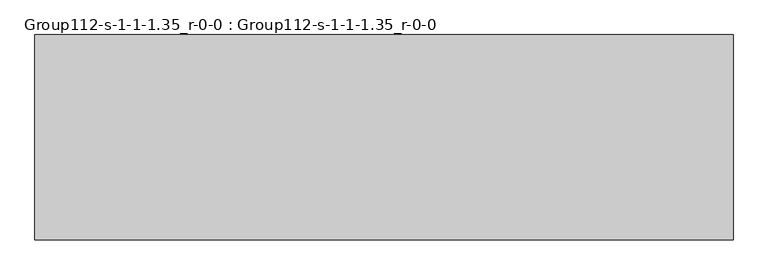
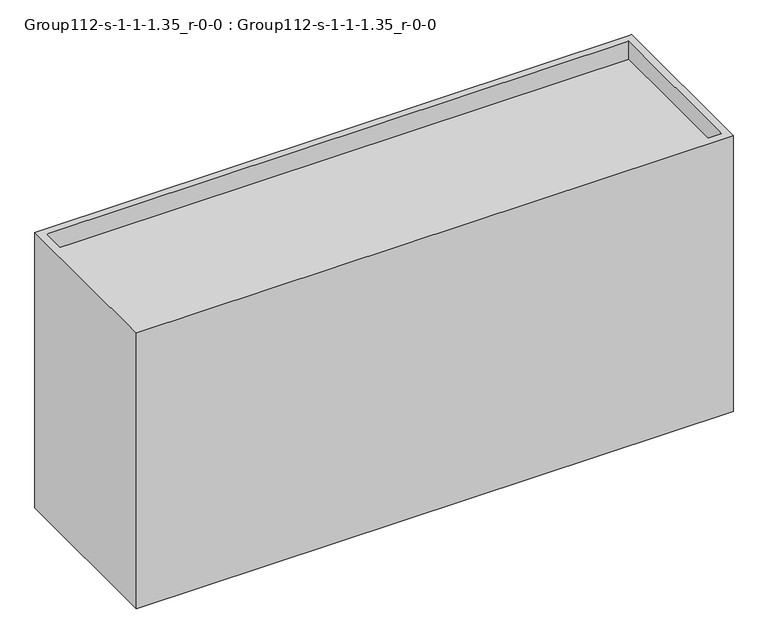
"""IFC4 building model written with IfcOpenShell, lengths in millimetres: geographic element geometry, Group112-s-1-1-1.35_r-0-0 : Group112-s-1-1-1.35_r-0-0."""

from ifc_helpers import new_model, si_unit, origin, place, context, project, spatial, triangles, source, transform, mapped, element, save


def group112_s_1_1_1_35_r_0_0_group112_s_1_1_1_35_r_0_0_e0f40512(model_context):
    return source(origin(), model_context, "Body", "Tessellation", [
        triangles([(16976.7253876, 7585.0748062, 0.0), (-8792.4749451, 0.0, 0.0), (-8792.4749451, 7585.0748062, 0.0), (16976.7253876, 0.0, 0.0), (16671.9253876, 7280.2748062, 12597.1438751), (-8487.6749451, 7280.2748062, 11774.1836426), (16671.9253876, 7280.2748062, 11774.1836426), (-8487.6749451, 7280.2748062, 12597.1438751), (16976.7253876, 0.0, 12597.1438751), (16976.7253876, 7585.0748062, 12597.1438751), (-8792.4749451, 0.0, 12597.1438751), (-8792.4749451, 7585.0748062, 12597.1438751), (-8487.6749451, 304.8, 12597.1438751), (-8487.6749451, 304.8, 11774.1836426), (16671.9253876, 304.8, 11774.1836426), (16671.9253876, 304.8, 12597.1438751)], [[1, 2, 3], [2, 1, 4], [5, 6, 7], [6, 5, 8], [1, 9, 4], [9, 1, 10], [11, 3, 2], [3, 11, 12], [4, 11, 2], [11, 4, 9], [12, 1, 3], [1, 12, 10], [6, 13, 14], [13, 6, 8], [13, 15, 14], [15, 13, 16], [15, 6, 14], [6, 15, 7], [11, 13, 12], [13, 11, 9], [13, 9, 16], [16, 9, 5], [12, 8, 10], [8, 12, 13], [10, 8, 5], [10, 5, 9], [5, 15, 16], [15, 5, 7]]),
    ])


if __name__ == "__main__":
    model = new_model("IFC4")
    model_context = context("Model", 3, world=origin())
    ifc_project = project(units=[si_unit("LENGTHUNIT", "METRE", prefix="MILLI")], contexts=[model_context])
    site = spatial("IfcSite", under=ifc_project)
    building = spatial("IfcBuilding", under=site)
    placement = place(None, origin())
    group112_s_1_1_1_35_r_0_0_group112_s_1_1_1_35_r_0_0_shape = group112_s_1_1_1_35_r_0_0_group112_s_1_1_1_35_r_0_0_e0f40512(model_context)
    element("IfcGeographicElement", 1, ObjectType="Group112-s-1-1-1.35_r-0-0 : Group112-s-1-1-1.35_r-0-0", at=placement, inside=building, context=model_context, shape_type="MappedRepresentation", body=[
        mapped(group112_s_1_1_1_35_r_0_0_group112_s_1_1_1_35_r_0_0_shape, transform((0.0, 0.0, 0.0), x_axis=(1.0, 0.0, 0.0), y_axis=(0.0, 1.0, 0.0), z_axis=(0.0, 0.0, 1.0))),
    ])
    save(model, "model.ifc")
